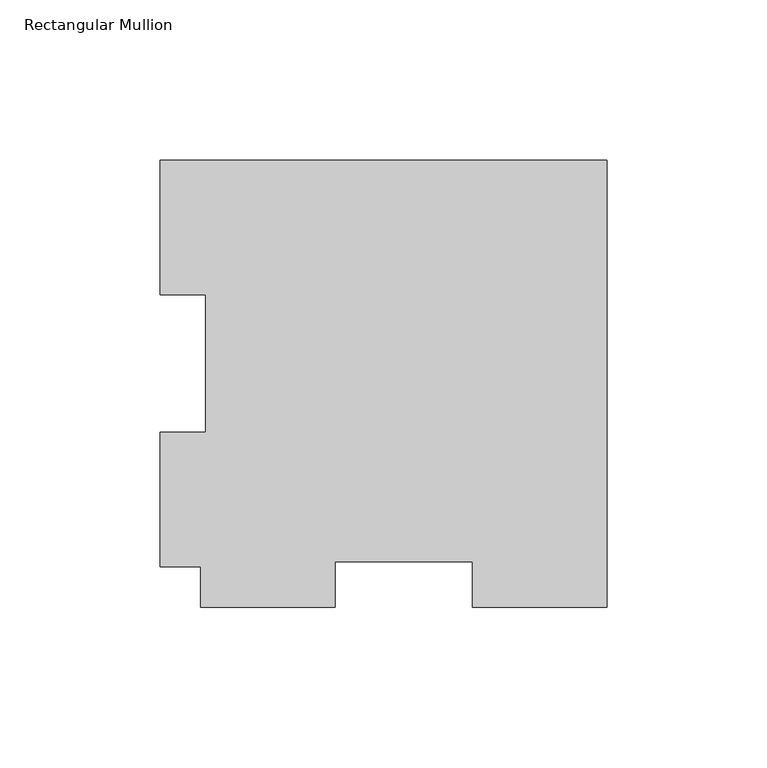
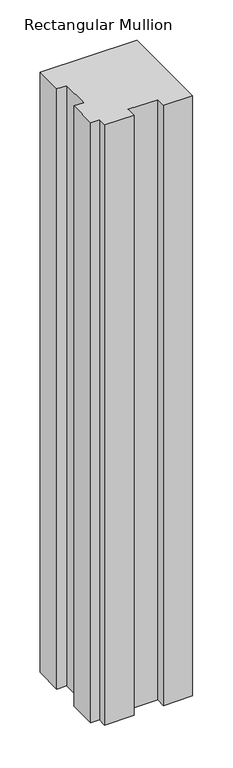
"""IFC4 building model written with IfcOpenShell, lengths in millimetres: member geometry, Rectangular Mullion."""

from ifc_helpers import new_model, si_unit, frame, origin, place, context, project, spatial, polyline, outline, extrude, source, transform, mapped, element, save


def rectangular_mullion_078c759c(model_context):
    return source(origin(), model_context, "Body", "SweptSolid", [
        extrude(outline(polyline([(-139.7, 126.7086937), (0.0, 126.7086937), (0.0, -12.9913063), (-42.0751, -12.9913063), (-42.0751, 1.2961937), (-84.9249, 1.2961937), (-84.9249, -12.9913063), (-127.0, -12.9913063), (-127.0, -0.2913063), (-139.7, -0.2913063), (-139.7, 41.7837938), (-125.4125, 41.7837938), (-125.4125, 84.6335937), (-139.7, 84.6335937), (-139.7, 126.7086937)])), frame((0.0, 0.0, -914.4), z_axis=(0.0, 0.0, 1.0), x_axis=(1.0, 0.0, 0.0)), (0.0, 0.0, 1.0), 914.4),
    ])


if __name__ == "__main__":
    model = new_model("IFC4")
    model_context = context("Model", 3, world=origin())
    ifc_project = project(units=[si_unit("LENGTHUNIT", "METRE", prefix="MILLI")], contexts=[model_context])
    site = spatial("IfcSite", under=ifc_project)
    building = spatial("IfcBuilding", under=site)
    placement = place(None, origin())
    rectangular_mullion_shape = rectangular_mullion_078c759c(model_context)
    element("IfcMember", 1, ObjectType="Rectangular Mullion", at=placement, inside=building, context=model_context, shape_type="MappedRepresentation", body=[
        mapped(rectangular_mullion_shape, transform((0.0, 0.0, 0.0), x_axis=(1.0, 0.0, 0.0), y_axis=(0.0, 1.0, 0.0), z_axis=(0.0, 0.0, 1.0))),
    ])
    save(model, "model.ifc")
